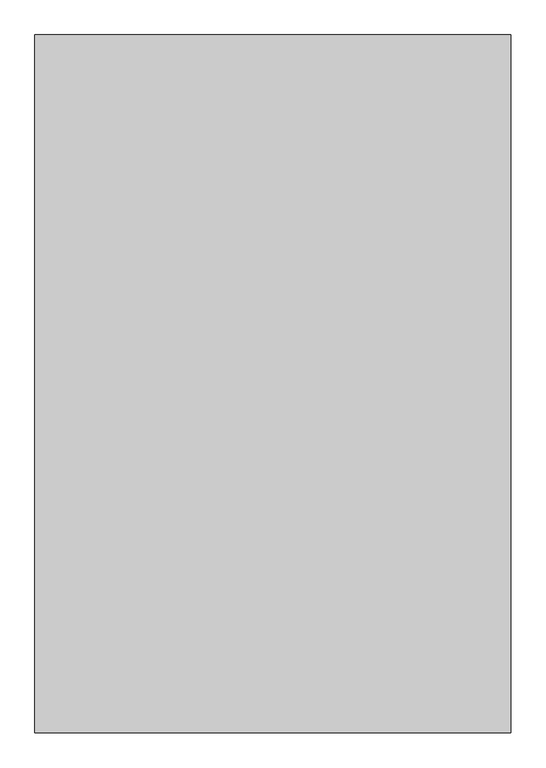
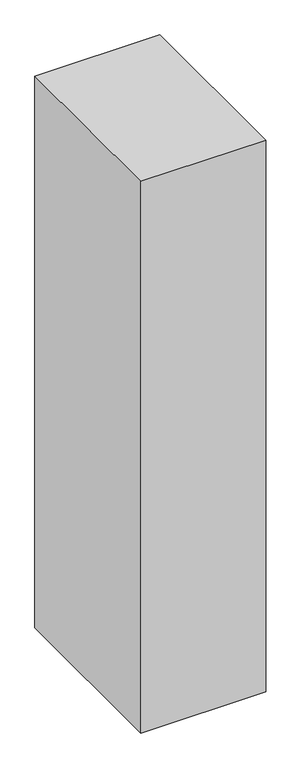
"""IFC4 building model written with IfcOpenShell, lengths in millimetres: proxy geometry."""

from ifc_helpers import new_model, si_unit, frame, origin, place, context, project, spatial, polyline, outline, extrude, source, transform, mapped, element, save


def generic_models_fd7f5ba7(model_context):
    return source(origin(), model_context, "Body", "SweptSolid", [
        extrude(outline(polyline([(1500.0, -1790.3998032), (0.0, -1790.3998032), (0.0, 409.6001968), (1500.0, 409.6001968), (1500.0, -1790.3998032)])), frame((0.0, 0.0, 1500.0), z_axis=(0.0, 0.0, 1.0), x_axis=(1.0, 0.0, 0.0)), (0.0, 0.0, 1.0), 7000.0),
    ])


if __name__ == "__main__":
    model = new_model("IFC4")
    model_context = context("Model", 3, world=origin())
    ifc_project = project(units=[si_unit("LENGTHUNIT", "METRE", prefix="MILLI")], contexts=[model_context])
    site = spatial("IfcSite", under=ifc_project)
    building = spatial("IfcBuilding", under=site)
    placement = place(None, origin())
    generic_models_shape = generic_models_fd7f5ba7(model_context)
    element("IfcBuildingElementProxy", 1, Name="Generic Models", at=placement, inside=building, context=model_context, shape_type="MappedRepresentation", body=[
        mapped(generic_models_shape, transform((0.0, 0.0, 0.0), x_axis=(1.0, 0.0, 0.0), y_axis=(0.0, 1.0, 0.0), z_axis=(0.0, 0.0, 1.0))),
    ])
    save(model, "model.ifc")
